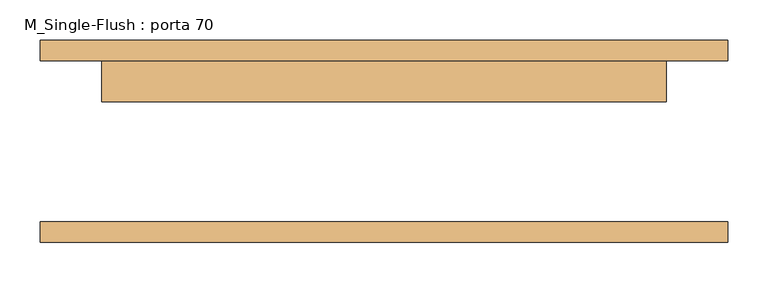
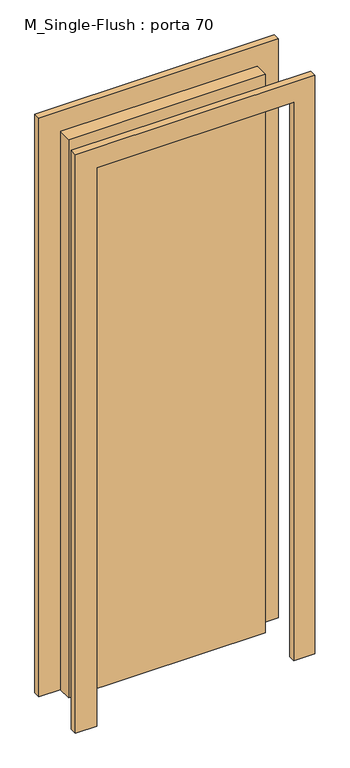
"""IFC4 building model written with IfcOpenShell, lengths in millimetres: door geometry, M_Single-Flush : porta 70."""

import ifcopenshell
import ifcopenshell.guid

model = None  # the IFC model being written
_history = None  # IfcOwnerHistory: only IFC2X3 demands one
_inside = {}  # id of a spatial element -> (the spatial element, [elements in it])
_under = {}  # id of a project, library or spatial element -> (it, [spatial elements below it])
_declared = {}  # id of a project -> (the project, [libraries it declares])
_typed = {}  # id of a type object -> (the type object, [elements of that type])
_made_of = {}  # id of a material, layer set ... -> (it, [elements and type objects made of it])


def new_model(schema):
    """Start an empty IFC model of exactly this schema.

    Asked for "IFC4X3", IfcOpenShell would pick the latest addendum, in which some entities
    have other attributes; the version numbers below select the first issue.
    IFC2X3 requires an IfcOwnerHistory on every rooted entity: one is made here for all.
    """
    global model, _history
    if schema == "IFC4X3":
        model = ifcopenshell.file(schema_version=(4, 3, 0, 0))
    else:
        model = ifcopenshell.file(schema=schema)
    _inside.clear()
    _under.clear()
    _declared.clear()
    _typed.clear()
    _made_of.clear()
    _history = None
    if model.schema == "IFC2X3":
        org = make("IfcOrganization", Name="unknown")
        user = make(
            "IfcPersonAndOrganization",
            ThePerson=make("IfcPerson", FamilyName="unknown"),
            TheOrganization=org,
        )
        app = make(
            "IfcApplication",
            ApplicationDeveloper=org,
            Version="unknown",
            ApplicationFullName="unknown",
            ApplicationIdentifier="unknown",
        )
        _history = make(
            "IfcOwnerHistory",
            OwningUser=user,
            OwningApplication=app,
            ChangeAction="ADDED",
            CreationDate=0,
        )
    return model


def make(cls, **values):
    """One entity of the class cls with the attributes given. An attribute that is None is left unset."""
    return model.create_entity(
        cls, **{name: value for name, value in values.items() if value is not None}
    )


def rooted(cls, **values):
    """An entity with a GlobalId (a new one), such as an element, a storey or a relation."""
    return make(cls, GlobalId=ifcopenshell.guid.new(), OwnerHistory=_history, **values)


def si_unit(unit_type, name, prefix=None):
    """IfcSIUnit, for example si_unit("LENGTHUNIT", "METRE", prefix="MILLI")."""
    return make("IfcSIUnit", UnitType=unit_type, Prefix=prefix, Name=name)


def assignment(units):
    """IfcUnitAssignment: the units of a project."""
    return None if units is None else make("IfcUnitAssignment", Units=units)


def point(xyz):
    """IfcCartesianPoint."""
    return None if xyz is None else make("IfcCartesianPoint", Coordinates=xyz)


def direction(xyz):
    """IfcDirection."""
    return None if xyz is None else make("IfcDirection", DirectionRatios=xyz)


def frame(location, z_axis=None, x_axis=None):
    """IfcAxis2Placement3D, a coordinate frame: its origin and axes. An axis left out is left unset."""
    return make(
        "IfcAxis2Placement3D",
        Location=point(location),
        Axis=direction(z_axis),
        RefDirection=direction(x_axis),
    )


def origin():
    """The frame at (0, 0, 0) with its axes left unset."""
    return frame((0.0, 0.0, 0.0))


def origin_with_axes():
    """The frame at (0, 0, 0) with the z axis (0, 0, 1) and the x axis (1, 0, 0) written out."""
    return frame((0.0, 0.0, 0.0), z_axis=(0.0, 0.0, 1.0), x_axis=(1.0, 0.0, 0.0))


def place(relative_to, where):
    """IfcLocalPlacement: puts the frame where relative to a parent placement (None: the world)."""
    return make(
        "IfcLocalPlacement", PlacementRelTo=relative_to, RelativePlacement=where
    )


def context(
    kind, dimensions, precision=None, world=None, true_north=None, identifier=None
):
    """IfcGeometricRepresentationContext, for example the 3D "Model" context."""
    return make(
        "IfcGeometricRepresentationContext",
        ContextIdentifier=identifier,
        ContextType=kind,
        CoordinateSpaceDimension=dimensions,
        Precision=precision,
        WorldCoordinateSystem=world,
        TrueNorth=true_north,
    )


def project(units=None, contexts=None):
    """IfcProject with its units and contexts."""
    return rooted(
        "IfcProject",
        Name="project",
        RepresentationContexts=contexts,
        UnitsInContext=assignment(units),
    )


def spatial(cls, under=None, at=None, **own):
    """A site, building, storey or space (cls), placed at a placement, below another one or the project."""
    s = rooted(cls, ObjectPlacement=at, **own)
    if under is not None:
        _under.setdefault(under.id(), (under, []))[1].append(s)
    return s


def polyline(points):
    """IfcPolyline through the points."""
    return make("IfcPolyline", Points=[point(p) for p in points])


def outline(outer, holes=None, kind="AREA"):
    """IfcArbitraryClosedProfileDef: a profile drawn as a closed curve; with holes, ...WithVoids."""
    if holes is None:
        return make("IfcArbitraryClosedProfileDef", ProfileType=kind, OuterCurve=outer)
    return make(
        "IfcArbitraryProfileDefWithVoids",
        ProfileType=kind,
        OuterCurve=outer,
        InnerCurves=holes,
    )


def extrude(swept, where, along, depth):
    """IfcExtrudedAreaSolid: the profile swept, set in the frame where, extruded along a direction by depth."""
    return make(
        "IfcExtrudedAreaSolid",
        SweptArea=swept,
        Position=where,
        ExtrudedDirection=direction(along),
        Depth=depth,
    )


def shape(context_of_items, identifier, shape_type, items):
    """IfcShapeRepresentation: the items that make up one representation, for example the "Body"."""
    return make(
        "IfcShapeRepresentation",
        ContextOfItems=context_of_items,
        RepresentationIdentifier=identifier,
        RepresentationType=shape_type,
        Items=items,
    )


def source(mapping_origin, context_of_items, identifier, shape_type, items):
    """IfcRepresentationMap: a shape defined once, which mapped items show again and again."""
    return make(
        "IfcRepresentationMap",
        MappingOrigin=mapping_origin,
        MappedRepresentation=shape(context_of_items, identifier, shape_type, items),
    )


def transform(
    local_origin,
    x_axis=None,
    y_axis=None,
    z_axis=None,
    scale=None,
    scale2=None,
    scale3=None,
    uniform=True,
):
    """IfcCartesianTransformationOperator3D, or its non-uniform kind. x_axis, y_axis, z_axis: its Axis1, 2, 3."""
    if uniform:
        return make(
            "IfcCartesianTransformationOperator3D",
            Axis1=direction(x_axis),
            Axis2=direction(y_axis),
            LocalOrigin=point(local_origin),
            Scale=scale,
            Axis3=direction(z_axis),
        )
    return make(
        "IfcCartesianTransformationOperator3DnonUniform",
        Axis1=direction(x_axis),
        Axis2=direction(y_axis),
        LocalOrigin=point(local_origin),
        Scale=scale,
        Axis3=direction(z_axis),
        Scale2=scale2,
        Scale3=scale3,
    )


def mapped(mapping_source, mapping_target):
    """IfcMappedItem: shows the shape of a source again, moved by a transform."""
    return make(
        "IfcMappedItem", MappingSource=mapping_source, MappingTarget=mapping_target
    )


def made_of(thing, what):
    """Note that an element or type object is made of a material, layer set ...; save() writes the relation."""
    if what is not None:
        _made_of.setdefault(what.id(), (what, []))[1].append(thing)
    return thing


def element(
    cls,
    number,
    at=None,
    inside=None,
    cuts=None,
    type_object=None,
    material=None,
    context=None,
    identifier="Body",
    shape_type=None,
    held_by="IfcProductDefinitionShape",
    body=None,
    shapes=None,
    **own,
):
    """One element of the class cls, such as IfcWall. Its Tag is "e" and its number.

    at: its placement. inside: the storey or other place that contains it. cuts: it is an
    opening in that element (IfcRelVoidsElement). A single representation is given by context,
    identifier, shape_type and body (its items); several are given by shapes. held_by: the class
    of the entity that holds the representations. save() writes the other relations.
    """
    e = rooted(cls, Tag="e%d" % number, ObjectPlacement=at, **own)
    if body is not None:
        shapes = [shape(context, identifier, shape_type, body)]
    if shapes is not None:
        e.Representation = make(held_by, Representations=shapes)
    if inside is not None:
        _inside.setdefault(inside.id(), (inside, []))[1].append(e)
    if cuts is not None:
        rooted(
            "IfcRelVoidsElement", RelatingBuildingElement=cuts, RelatedOpeningElement=e
        )
    if type_object is not None:
        _typed.setdefault(type_object.id(), (type_object, []))[1].append(e)
    return made_of(e, material)


def aggregate(whole, parts):
    """IfcRelAggregates: a whole, such as a stair, and the parts it consists of."""
    return rooted("IfcRelAggregates", RelatingObject=whole, RelatedObjects=parts)


def save(model, path):
    """Write the relations noted so far, then the file.

    IfcRelAggregates (storeys below a building ...), IfcRelContainedInSpatialStructure (elements
    in a storey), IfcRelDefinesByType, IfcRelAssociatesMaterial and IfcRelDeclares: one each for
    every whole, place, type object, material and project.
    """
    for whole, parts in _under.values():
        aggregate(whole, parts)
    for where, things in _inside.values():
        rooted(
            "IfcRelContainedInSpatialStructure",
            RelatedElements=things,
            RelatingStructure=where,
        )
    for kind, things in _typed.values():
        rooted("IfcRelDefinesByType", RelatedObjects=things, RelatingType=kind)
    for what, things in _made_of.values():
        rooted("IfcRelAssociatesMaterial", RelatedObjects=things, RelatingMaterial=what)
    for by, libraries in _declared.values():
        rooted("IfcRelDeclares", RelatingContext=by, RelatedDefinitions=libraries)
    model.write(path)


def m_single_flush_porta_70_94af1243(model_context):
    return source(origin(), model_context, "Body", "SweptSolid", [
        extrude(outline(polyline([(2176.0, -426.0), (0.0, -426.0), (0.0, -350.0), (2100.0, -350.0), (2100.0, 350.0), (0.0, 350.0), (0.0, 426.0), (2176.0, 426.0), (2176.0, -426.0)])), frame((0.0, 100.0, 0.0), z_axis=(0.0, 1.0, 0.0), x_axis=(0.0, 0.0, 1.0)), (0.0, 0.0, 1.0), 25.0),
        extrude(outline(polyline([(2176.0, 426.0), (2176.0, -426.0), (0.0, -426.0), (0.0, -350.0), (2100.0, -350.0), (2100.0, 350.0), (0.0, 350.0), (0.0, 426.0), (2176.0, 426.0)])), frame((0.0, -125.0, 0.0), z_axis=(0.0, 1.0, 0.0), x_axis=(0.0, 0.0, 1.0)), (0.0, 0.0, 1.0), 25.0),
        extrude(outline(polyline([(350.0, 49.0), (-350.0, 49.0), (-350.0, 100.0), (350.0, 100.0), (350.0, 49.0)])), origin_with_axes(), (0.0, 0.0, 1.0), 2100.0),
    ])


if __name__ == "__main__":
    model = new_model("IFC4")
    model_context = context("Model", 3, world=origin())
    ifc_project = project(units=[si_unit("LENGTHUNIT", "METRE", prefix="MILLI")], contexts=[model_context])
    site = spatial("IfcSite", under=ifc_project)
    building = spatial("IfcBuilding", under=site)
    placement = place(None, origin())
    m_single_flush_porta_70_shape = m_single_flush_porta_70_94af1243(model_context)
    element("IfcDoor", 1, ObjectType="M_Single-Flush : porta 70", at=placement, inside=building, context=model_context, shape_type="MappedRepresentation", body=[
        mapped(m_single_flush_porta_70_shape, transform((0.0, 0.0, 0.0), x_axis=(1.0, 0.0, 0.0), y_axis=(0.0, 1.0, 0.0), z_axis=(0.0, 0.0, 1.0))),
    ])
    save(model, "model.ifc")
